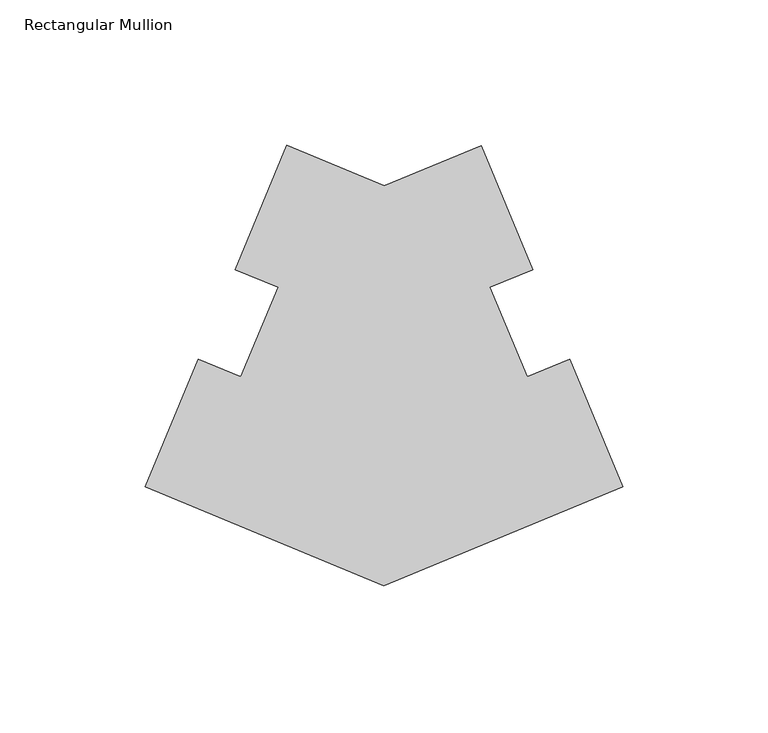
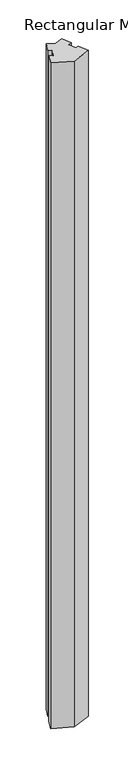
"""IFC4 building model written with IfcOpenShell, lengths in millimetres: member geometry, Rectangular Mullion."""

import ifcopenshell
import ifcopenshell.guid

model = None  # the IFC model being written
_history = None  # IfcOwnerHistory: only IFC2X3 demands one
_inside = {}  # id of a spatial element -> (the spatial element, [elements in it])
_under = {}  # id of a project, library or spatial element -> (it, [spatial elements below it])
_declared = {}  # id of a project -> (the project, [libraries it declares])
_typed = {}  # id of a type object -> (the type object, [elements of that type])
_made_of = {}  # id of a material, layer set ... -> (it, [elements and type objects made of it])


def new_model(schema):
    """Start an empty IFC model of exactly this schema.

    Asked for "IFC4X3", IfcOpenShell would pick the latest addendum, in which some entities
    have other attributes; the version numbers below select the first issue.
    IFC2X3 requires an IfcOwnerHistory on every rooted entity: one is made here for all.
    """
    global model, _history
    if schema == "IFC4X3":
        model = ifcopenshell.file(schema_version=(4, 3, 0, 0))
    else:
        model = ifcopenshell.file(schema=schema)
    _inside.clear()
    _under.clear()
    _declared.clear()
    _typed.clear()
    _made_of.clear()
    _history = None
    if model.schema == "IFC2X3":
        org = make("IfcOrganization", Name="unknown")
        user = make(
            "IfcPersonAndOrganization",
            ThePerson=make("IfcPerson", FamilyName="unknown"),
            TheOrganization=org,
        )
        app = make(
            "IfcApplication",
            ApplicationDeveloper=org,
            Version="unknown",
            ApplicationFullName="unknown",
            ApplicationIdentifier="unknown",
        )
        _history = make(
            "IfcOwnerHistory",
            OwningUser=user,
            OwningApplication=app,
            ChangeAction="ADDED",
            CreationDate=0,
        )
    return model


def make(cls, **values):
    """One entity of the class cls with the attributes given. An attribute that is None is left unset."""
    return model.create_entity(
        cls, **{name: value for name, value in values.items() if value is not None}
    )


def rooted(cls, **values):
    """An entity with a GlobalId (a new one), such as an element, a storey or a relation."""
    return make(cls, GlobalId=ifcopenshell.guid.new(), OwnerHistory=_history, **values)


def si_unit(unit_type, name, prefix=None):
    """IfcSIUnit, for example si_unit("LENGTHUNIT", "METRE", prefix="MILLI")."""
    return make("IfcSIUnit", UnitType=unit_type, Prefix=prefix, Name=name)


def assignment(units):
    """IfcUnitAssignment: the units of a project."""
    return None if units is None else make("IfcUnitAssignment", Units=units)


def point(xyz):
    """IfcCartesianPoint."""
    return None if xyz is None else make("IfcCartesianPoint", Coordinates=xyz)


def direction(xyz):
    """IfcDirection."""
    return None if xyz is None else make("IfcDirection", DirectionRatios=xyz)


def frame(location, z_axis=None, x_axis=None):
    """IfcAxis2Placement3D, a coordinate frame: its origin and axes. An axis left out is left unset."""
    return make(
        "IfcAxis2Placement3D",
        Location=point(location),
        Axis=direction(z_axis),
        RefDirection=direction(x_axis),
    )


def origin():
    """The frame at (0, 0, 0) with its axes left unset."""
    return frame((0.0, 0.0, 0.0))


def place(relative_to, where):
    """IfcLocalPlacement: puts the frame where relative to a parent placement (None: the world)."""
    return make(
        "IfcLocalPlacement", PlacementRelTo=relative_to, RelativePlacement=where
    )


def context(
    kind, dimensions, precision=None, world=None, true_north=None, identifier=None
):
    """IfcGeometricRepresentationContext, for example the 3D "Model" context."""
    return make(
        "IfcGeometricRepresentationContext",
        ContextIdentifier=identifier,
        ContextType=kind,
        CoordinateSpaceDimension=dimensions,
        Precision=precision,
        WorldCoordinateSystem=world,
        TrueNorth=true_north,
    )


def project(units=None, contexts=None):
    """IfcProject with its units and contexts."""
    return rooted(
        "IfcProject",
        Name="project",
        RepresentationContexts=contexts,
        UnitsInContext=assignment(units),
    )


def spatial(cls, under=None, at=None, **own):
    """A site, building, storey or space (cls), placed at a placement, below another one or the project."""
    s = rooted(cls, ObjectPlacement=at, **own)
    if under is not None:
        _under.setdefault(under.id(), (under, []))[1].append(s)
    return s


def polyline(points):
    """IfcPolyline through the points."""
    return make("IfcPolyline", Points=[point(p) for p in points])


def outline(outer, holes=None, kind="AREA"):
    """IfcArbitraryClosedProfileDef: a profile drawn as a closed curve; with holes, ...WithVoids."""
    if holes is None:
        return make("IfcArbitraryClosedProfileDef", ProfileType=kind, OuterCurve=outer)
    return make(
        "IfcArbitraryProfileDefWithVoids",
        ProfileType=kind,
        OuterCurve=outer,
        InnerCurves=holes,
    )


def extrude(swept, where, along, depth):
    """IfcExtrudedAreaSolid: the profile swept, set in the frame where, extruded along a direction by depth."""
    return make(
        "IfcExtrudedAreaSolid",
        SweptArea=swept,
        Position=where,
        ExtrudedDirection=direction(along),
        Depth=depth,
    )


def shape(context_of_items, identifier, shape_type, items):
    """IfcShapeRepresentation: the items that make up one representation, for example the "Body"."""
    return make(
        "IfcShapeRepresentation",
        ContextOfItems=context_of_items,
        RepresentationIdentifier=identifier,
        RepresentationType=shape_type,
        Items=items,
    )


def source(mapping_origin, context_of_items, identifier, shape_type, items):
    """IfcRepresentationMap: a shape defined once, which mapped items show again and again."""
    return make(
        "IfcRepresentationMap",
        MappingOrigin=mapping_origin,
        MappedRepresentation=shape(context_of_items, identifier, shape_type, items),
    )


def transform(
    local_origin,
    x_axis=None,
    y_axis=None,
    z_axis=None,
    scale=None,
    scale2=None,
    scale3=None,
    uniform=True,
):
    """IfcCartesianTransformationOperator3D, or its non-uniform kind. x_axis, y_axis, z_axis: its Axis1, 2, 3."""
    if uniform:
        return make(
            "IfcCartesianTransformationOperator3D",
            Axis1=direction(x_axis),
            Axis2=direction(y_axis),
            LocalOrigin=point(local_origin),
            Scale=scale,
            Axis3=direction(z_axis),
        )
    return make(
        "IfcCartesianTransformationOperator3DnonUniform",
        Axis1=direction(x_axis),
        Axis2=direction(y_axis),
        LocalOrigin=point(local_origin),
        Scale=scale,
        Axis3=direction(z_axis),
        Scale2=scale2,
        Scale3=scale3,
    )


def mapped(mapping_source, mapping_target):
    """IfcMappedItem: shows the shape of a source again, moved by a transform."""
    return make(
        "IfcMappedItem", MappingSource=mapping_source, MappingTarget=mapping_target
    )


def made_of(thing, what):
    """Note that an element or type object is made of a material, layer set ...; save() writes the relation."""
    if what is not None:
        _made_of.setdefault(what.id(), (what, []))[1].append(thing)
    return thing


def element(
    cls,
    number,
    at=None,
    inside=None,
    cuts=None,
    type_object=None,
    material=None,
    context=None,
    identifier="Body",
    shape_type=None,
    held_by="IfcProductDefinitionShape",
    body=None,
    shapes=None,
    **own,
):
    """One element of the class cls, such as IfcWall. Its Tag is "e" and its number.

    at: its placement. inside: the storey or other place that contains it. cuts: it is an
    opening in that element (IfcRelVoidsElement). A single representation is given by context,
    identifier, shape_type and body (its items); several are given by shapes. held_by: the class
    of the entity that holds the representations. save() writes the other relations.
    """
    e = rooted(cls, Tag="e%d" % number, ObjectPlacement=at, **own)
    if body is not None:
        shapes = [shape(context, identifier, shape_type, body)]
    if shapes is not None:
        e.Representation = make(held_by, Representations=shapes)
    if inside is not None:
        _inside.setdefault(inside.id(), (inside, []))[1].append(e)
    if cuts is not None:
        rooted(
            "IfcRelVoidsElement", RelatingBuildingElement=cuts, RelatedOpeningElement=e
        )
    if type_object is not None:
        _typed.setdefault(type_object.id(), (type_object, []))[1].append(e)
    return made_of(e, material)


def aggregate(whole, parts):
    """IfcRelAggregates: a whole, such as a stair, and the parts it consists of."""
    return rooted("IfcRelAggregates", RelatingObject=whole, RelatedObjects=parts)


def save(model, path):
    """Write the relations noted so far, then the file.

    IfcRelAggregates (storeys below a building ...), IfcRelContainedInSpatialStructure (elements
    in a storey), IfcRelDefinesByType, IfcRelAssociatesMaterial and IfcRelDeclares: one each for
    every whole, place, type object, material and project.
    """
    for whole, parts in _under.values():
        aggregate(whole, parts)
    for where, things in _inside.values():
        rooted(
            "IfcRelContainedInSpatialStructure",
            RelatedElements=things,
            RelatingStructure=where,
        )
    for kind, things in _typed.values():
        rooted("IfcRelDefinesByType", RelatedObjects=things, RelatingType=kind)
    for what, things in _made_of.values():
        rooted("IfcRelAssociatesMaterial", RelatedObjects=things, RelatingMaterial=what)
    for by, libraries in _declared.values():
        rooted("IfcRelDeclares", RelatingContext=by, RelatedDefinitions=libraries)
    model.write(path)


def rectangular_mullion_3f8517a2(model_context):
    return source(origin(), model_context, "Body", "SweptSolid", [
        extrude(outline(polyline([(-115.4178797, -88.6136489), (-81.9942217, -102.4661637), (-48.5888374, -88.6371772), (-30.922833, -131.2989824), (-45.5912777, -137.3695975), (-32.8270396, -168.1940797), (-18.1598327, -162.120475), (0.0, -205.9748311), (-82.0222412, -239.9299703), (-164.0306333, -205.9413965), (-145.8689222, -162.1077827), (-131.203573, -168.1858717), (-118.4322989, -137.3621738), (-133.0995058, -131.288569), (-115.4178797, -88.6136489)])), frame((0.0, 0.0, -3048.0), z_axis=(0.0, 0.0, 1.0), x_axis=(1.0, 0.0, 0.0)), (0.0, 0.0, 1.0), 3048.0),
    ])


if __name__ == "__main__":
    model = new_model("IFC4")
    model_context = context("Model", 3, world=origin())
    ifc_project = project(units=[si_unit("LENGTHUNIT", "METRE", prefix="MILLI")], contexts=[model_context])
    site = spatial("IfcSite", under=ifc_project)
    building = spatial("IfcBuilding", under=site)
    placement = place(None, origin())
    rectangular_mullion_shape = rectangular_mullion_3f8517a2(model_context)
    element("IfcMember", 1, ObjectType="Rectangular Mullion", at=placement, inside=building, context=model_context, shape_type="MappedRepresentation", body=[
        mapped(rectangular_mullion_shape, transform((0.0, 0.0, 0.0), x_axis=(1.0, 0.0, 0.0), y_axis=(0.0, 1.0, 0.0), z_axis=(0.0, 0.0, 1.0))),
    ])
    save(model, "model.ifc")
